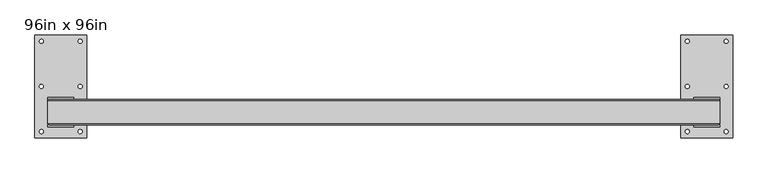
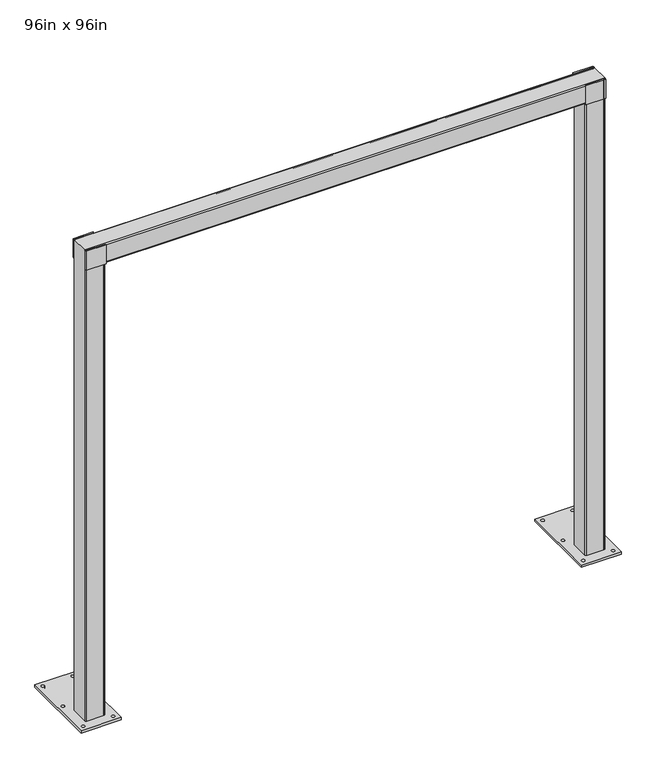
"""IFC4 building model written with IfcOpenShell, lengths in millimetres: proxy geometry, 96in x 96in."""

import ifcopenshell
import ifcopenshell.guid

model = None  # the IFC model being written
_history = None  # IfcOwnerHistory: only IFC2X3 demands one
_inside = {}  # id of a spatial element -> (the spatial element, [elements in it])
_under = {}  # id of a project, library or spatial element -> (it, [spatial elements below it])
_declared = {}  # id of a project -> (the project, [libraries it declares])
_typed = {}  # id of a type object -> (the type object, [elements of that type])
_made_of = {}  # id of a material, layer set ... -> (it, [elements and type objects made of it])


def new_model(schema):
    """Start an empty IFC model of exactly this schema.

    Asked for "IFC4X3", IfcOpenShell would pick the latest addendum, in which some entities
    have other attributes; the version numbers below select the first issue.
    IFC2X3 requires an IfcOwnerHistory on every rooted entity: one is made here for all.
    """
    global model, _history
    if schema == "IFC4X3":
        model = ifcopenshell.file(schema_version=(4, 3, 0, 0))
    else:
        model = ifcopenshell.file(schema=schema)
    _inside.clear()
    _under.clear()
    _declared.clear()
    _typed.clear()
    _made_of.clear()
    _history = None
    if model.schema == "IFC2X3":
        org = make("IfcOrganization", Name="unknown")
        user = make(
            "IfcPersonAndOrganization",
            ThePerson=make("IfcPerson", FamilyName="unknown"),
            TheOrganization=org,
        )
        app = make(
            "IfcApplication",
            ApplicationDeveloper=org,
            Version="unknown",
            ApplicationFullName="unknown",
            ApplicationIdentifier="unknown",
        )
        _history = make(
            "IfcOwnerHistory",
            OwningUser=user,
            OwningApplication=app,
            ChangeAction="ADDED",
            CreationDate=0,
        )
    return model


def make(cls, **values):
    """One entity of the class cls with the attributes given. An attribute that is None is left unset."""
    return model.create_entity(
        cls, **{name: value for name, value in values.items() if value is not None}
    )


def rooted(cls, **values):
    """An entity with a GlobalId (a new one), such as an element, a storey or a relation."""
    return make(cls, GlobalId=ifcopenshell.guid.new(), OwnerHistory=_history, **values)


def si_unit(unit_type, name, prefix=None):
    """IfcSIUnit, for example si_unit("LENGTHUNIT", "METRE", prefix="MILLI")."""
    return make("IfcSIUnit", UnitType=unit_type, Prefix=prefix, Name=name)


def assignment(units):
    """IfcUnitAssignment: the units of a project."""
    return None if units is None else make("IfcUnitAssignment", Units=units)


def point(xyz):
    """IfcCartesianPoint."""
    return None if xyz is None else make("IfcCartesianPoint", Coordinates=xyz)


def direction(xyz):
    """IfcDirection."""
    return None if xyz is None else make("IfcDirection", DirectionRatios=xyz)


def frame(location, z_axis=None, x_axis=None):
    """IfcAxis2Placement3D, a coordinate frame: its origin and axes. An axis left out is left unset."""
    return make(
        "IfcAxis2Placement3D",
        Location=point(location),
        Axis=direction(z_axis),
        RefDirection=direction(x_axis),
    )


def frame_2d(location, x_axis=None):
    """IfcAxis2Placement2D, a coordinate frame in the plane: its origin and x axis."""
    return make(
        "IfcAxis2Placement2D", Location=point(location), RefDirection=direction(x_axis)
    )


def origin():
    """The frame at (0, 0, 0) with its axes left unset."""
    return frame((0.0, 0.0, 0.0))


def origin_with_axes():
    """The frame at (0, 0, 0) with the z axis (0, 0, 1) and the x axis (1, 0, 0) written out."""
    return frame((0.0, 0.0, 0.0), z_axis=(0.0, 0.0, 1.0), x_axis=(1.0, 0.0, 0.0))


def place(relative_to, where):
    """IfcLocalPlacement: puts the frame where relative to a parent placement (None: the world)."""
    return make(
        "IfcLocalPlacement", PlacementRelTo=relative_to, RelativePlacement=where
    )


def context(
    kind, dimensions, precision=None, world=None, true_north=None, identifier=None
):
    """IfcGeometricRepresentationContext, for example the 3D "Model" context."""
    return make(
        "IfcGeometricRepresentationContext",
        ContextIdentifier=identifier,
        ContextType=kind,
        CoordinateSpaceDimension=dimensions,
        Precision=precision,
        WorldCoordinateSystem=world,
        TrueNorth=true_north,
    )


def project(units=None, contexts=None):
    """IfcProject with its units and contexts."""
    return rooted(
        "IfcProject",
        Name="project",
        RepresentationContexts=contexts,
        UnitsInContext=assignment(units),
    )


def spatial(cls, under=None, at=None, **own):
    """A site, building, storey or space (cls), placed at a placement, below another one or the project."""
    s = rooted(cls, ObjectPlacement=at, **own)
    if under is not None:
        _under.setdefault(under.id(), (under, []))[1].append(s)
    return s


def polyline(points):
    """IfcPolyline through the points."""
    return make("IfcPolyline", Points=[point(p) for p in points])


def circle_curve(where, radius):
    """IfcCircle in the frame where."""
    return make("IfcCircle", Position=where, Radius=radius)


def ellipse_curve(where, semi_axis1, semi_axis2):
    """IfcEllipse in the frame where."""
    return make(
        "IfcEllipse", Position=where, SemiAxis1=semi_axis1, SemiAxis2=semi_axis2
    )


def trimmed(basis, trim1, trim2, sense, master):
    """IfcTrimmedCurve: the piece of a basis curve between two trims."""
    return make(
        "IfcTrimmedCurve",
        BasisCurve=basis,
        Trim1=trim1,
        Trim2=trim2,
        SenseAgreement=sense,
        MasterRepresentation=master,
    )


def segment(curve, same_sense, transition):
    """IfcCompositeCurveSegment."""
    return make(
        "IfcCompositeCurveSegment",
        Transition=transition,
        SameSense=same_sense,
        ParentCurve=curve,
    )


def composite_curve(segments, self_intersect=None):
    """IfcCompositeCurve: segments joined end to end."""
    return make("IfcCompositeCurve", Segments=segments, SelfIntersect=self_intersect)


def outline(outer, holes=None, kind="AREA"):
    """IfcArbitraryClosedProfileDef: a profile drawn as a closed curve; with holes, ...WithVoids."""
    if holes is None:
        return make("IfcArbitraryClosedProfileDef", ProfileType=kind, OuterCurve=outer)
    return make(
        "IfcArbitraryProfileDefWithVoids",
        ProfileType=kind,
        OuterCurve=outer,
        InnerCurves=holes,
    )


def extrude(swept, where, along, depth):
    """IfcExtrudedAreaSolid: the profile swept, set in the frame where, extruded along a direction by depth."""
    return make(
        "IfcExtrudedAreaSolid",
        SweptArea=swept,
        Position=where,
        ExtrudedDirection=direction(along),
        Depth=depth,
    )


def shape(context_of_items, identifier, shape_type, items):
    """IfcShapeRepresentation: the items that make up one representation, for example the "Body"."""
    return make(
        "IfcShapeRepresentation",
        ContextOfItems=context_of_items,
        RepresentationIdentifier=identifier,
        RepresentationType=shape_type,
        Items=items,
    )


def source(mapping_origin, context_of_items, identifier, shape_type, items):
    """IfcRepresentationMap: a shape defined once, which mapped items show again and again."""
    return make(
        "IfcRepresentationMap",
        MappingOrigin=mapping_origin,
        MappedRepresentation=shape(context_of_items, identifier, shape_type, items),
    )


def transform(
    local_origin,
    x_axis=None,
    y_axis=None,
    z_axis=None,
    scale=None,
    scale2=None,
    scale3=None,
    uniform=True,
):
    """IfcCartesianTransformationOperator3D, or its non-uniform kind. x_axis, y_axis, z_axis: its Axis1, 2, 3."""
    if uniform:
        return make(
            "IfcCartesianTransformationOperator3D",
            Axis1=direction(x_axis),
            Axis2=direction(y_axis),
            LocalOrigin=point(local_origin),
            Scale=scale,
            Axis3=direction(z_axis),
        )
    return make(
        "IfcCartesianTransformationOperator3DnonUniform",
        Axis1=direction(x_axis),
        Axis2=direction(y_axis),
        LocalOrigin=point(local_origin),
        Scale=scale,
        Axis3=direction(z_axis),
        Scale2=scale2,
        Scale3=scale3,
    )


def mapped(mapping_source, mapping_target):
    """IfcMappedItem: shows the shape of a source again, moved by a transform."""
    return make(
        "IfcMappedItem", MappingSource=mapping_source, MappingTarget=mapping_target
    )


def made_of(thing, what):
    """Note that an element or type object is made of a material, layer set ...; save() writes the relation."""
    if what is not None:
        _made_of.setdefault(what.id(), (what, []))[1].append(thing)
    return thing


def element(
    cls,
    number,
    at=None,
    inside=None,
    cuts=None,
    type_object=None,
    material=None,
    context=None,
    identifier="Body",
    shape_type=None,
    held_by="IfcProductDefinitionShape",
    body=None,
    shapes=None,
    **own,
):
    """One element of the class cls, such as IfcWall. Its Tag is "e" and its number.

    at: its placement. inside: the storey or other place that contains it. cuts: it is an
    opening in that element (IfcRelVoidsElement). A single representation is given by context,
    identifier, shape_type and body (its items); several are given by shapes. held_by: the class
    of the entity that holds the representations. save() writes the other relations.
    """
    e = rooted(cls, Tag="e%d" % number, ObjectPlacement=at, **own)
    if body is not None:
        shapes = [shape(context, identifier, shape_type, body)]
    if shapes is not None:
        e.Representation = make(held_by, Representations=shapes)
    if inside is not None:
        _inside.setdefault(inside.id(), (inside, []))[1].append(e)
    if cuts is not None:
        rooted(
            "IfcRelVoidsElement", RelatingBuildingElement=cuts, RelatedOpeningElement=e
        )
    if type_object is not None:
        _typed.setdefault(type_object.id(), (type_object, []))[1].append(e)
    return made_of(e, material)


def aggregate(whole, parts):
    """IfcRelAggregates: a whole, such as a stair, and the parts it consists of."""
    return rooted("IfcRelAggregates", RelatingObject=whole, RelatedObjects=parts)


def save(model, path):
    """Write the relations noted so far, then the file.

    IfcRelAggregates (storeys below a building ...), IfcRelContainedInSpatialStructure (elements
    in a storey), IfcRelDefinesByType, IfcRelAssociatesMaterial and IfcRelDeclares: one each for
    every whole, place, type object, material and project.
    """
    for whole, parts in _under.values():
        aggregate(whole, parts)
    for where, things in _inside.values():
        rooted(
            "IfcRelContainedInSpatialStructure",
            RelatedElements=things,
            RelatingStructure=where,
        )
    for kind, things in _typed.values():
        rooted("IfcRelDefinesByType", RelatedObjects=things, RelatingType=kind)
    for what, things in _made_of.values():
        rooted("IfcRelAssociatesMaterial", RelatedObjects=things, RelatingMaterial=what)
    for by, libraries in _declared.values():
        rooted("IfcRelDeclares", RelatingContext=by, RelatedDefinitions=libraries)
    model.write(path)


def plane_surface(at):
    """IfcPlane: the flat surface through the origin of the frame at, square to its z axis."""
    return make("IfcPlane", Position=at)


def cylinder_surface(at, radius):
    """IfcCylindricalSurface: all points at the distance radius from the z axis of the frame at."""
    return make("IfcCylindricalSurface", Position=at, Radius=radius)


def revolved_surface(curve, axis_point, axis_direction):
    """IfcSurfaceOfRevolution: the curve turned about the line through axis_point along axis_direction."""
    return make(
        "IfcSurfaceOfRevolution",
        SweptCurve=make("IfcArbitraryOpenProfileDef", ProfileType="CURVE", Curve=curve),
        AxisPosition=make("IfcAxis1Placement", Location=point(axis_point), Axis=direction(axis_direction)),
    )


def advanced_brep(points, edges, surfaces, faces):
    """IfcAdvancedBrep: a solid bounded by faces that lie on surfaces and meet in shared edges.

    An edge is (start, end): straight between two places in points (the first is 0);
    or (start, end, curve); or (start, end, curve, False) where it runs against its curve.
    A face is (place in surfaces, loops), or (place, loops, False) where it looks against
    its surface's normal. A loop lists edges by number (the first is 1), with a minus sign
    where the edge is run from its end to its start. The first loop is the outer one.
    """
    corners = [point(p) for p in points]
    vertices = [make("IfcVertexPoint", VertexGeometry=c) for c in corners]
    made = []
    for start, end, *more in edges:
        made.append(
            make(
                "IfcEdgeCurve",
                EdgeStart=vertices[start],
                EdgeEnd=vertices[end],
                EdgeGeometry=more[0] if more else make("IfcPolyline", Points=[corners[start], corners[end]]),
                SameSense=more[1] if len(more) > 1 else True,
            )
        )
    hull = []
    for where, loops, *sense in faces:
        bounds = []
        for j, loop in enumerate(loops):
            ring = [make("IfcOrientedEdge", EdgeElement=made[abs(k) - 1], Orientation=k > 0) for k in loop]
            bounds.append(
                make(
                    "IfcFaceOuterBound" if j == 0 else "IfcFaceBound",
                    Bound=make("IfcEdgeLoop", EdgeList=ring),
                    Orientation=True,
                )
            )
        hull.append(make("IfcAdvancedFace", Bounds=bounds, FaceSurface=surfaces[where], SameSense=sense[0] if sense else True))
    return make("IfcAdvancedBrep", Outer=make("IfcClosedShell", CfsFaces=hull))


def proxy_96in_x_96in_fcc296bb(model_context):
    return source(origin(), model_context, "Body", "SolidModel", [
        advanced_brep(
        [(1219.2, -44.1422052, 12.7), (1219.2, 44.1422052, 12.7), (1225.8577948, 50.8, 12.7), (1315.1555556, 50.8, 12.7), (1320.8, 45.1555556, 12.7), (1320.8, -44.1422052, 12.7), (1314.1422052, -50.8, 12.7), (1225.8577948, -50.8, 12.7), (1225.8577948, 45.8066539, 12.7), (1224.1933461, 44.1422052, 12.7), (1224.1933461, -44.1422052, 12.7), (1225.8577948, -45.8066539, 12.7), (1314.1422052, -45.8066539, 12.7), (1315.8066539, -44.1422052, 12.7), (1315.8066539, 44.1422052, 12.7), (1314.1422052, 45.8066539, 12.7), (1219.2, -44.1422052, 2438.4), (1219.2, 44.1422052, 2438.4), (1225.8577948, 50.8, 2445.0577948), (1225.8577948, 50.8, 2438.4), (1315.1555556, 50.8, 2438.4), (-1225.8577948, 50.8, 12.7), (-1315.1555556, 50.8, 12.7), (-1315.1555556, 50.8, 2438.4), (-1225.8577948, 50.8, 2438.4), (1219.2, 50.8, 2445.0577948), (-1219.2, 50.8, 2445.0577948), (-1219.2, 50.8, 2534.3555556), (1219.2, 50.8, 2534.3555556), (1315.1555556, 50.8, 2534.3555556), (1320.8, 45.1555556, 2540.0), (1320.8, -44.1422052, 2540.0), (1314.1422052, -50.8, 2533.3422052), (1314.1422052, -50.8, 2438.4), (1225.8577948, -50.8, 2438.4), (-1314.1422052, -50.8, 12.7), (-1225.8577948, -50.8, 12.7), (-1225.8577948, -50.8, 2438.4), (-1314.1422052, -50.8, 2438.4), (1219.2, -50.8, 2533.3422052), (-1219.2, -50.8, 2533.3422052), (-1219.2, -50.8, 2445.0577948), (1219.2, -50.8, 2445.0577948), (1225.8577948, -50.8, 2445.0577948), (-1219.2, -44.1422052, 2438.4), (-1219.2, 44.1422052, 2438.4), (-1225.8577948, 50.8, 2445.0577948), (-1315.1555556, 50.8, 2534.3555556), (-1320.8, 45.1555556, 2540.0), (-1320.8, -44.1422052, 2540.0), (-1314.1422052, -50.8, 2533.3422052), (-1225.8577948, -50.8, 2445.0577948), (-1219.2, 44.1422052, 12.7), (-1219.2, -44.1422052, 12.7), (-1320.8, -44.1422052, 12.7), (-1320.8, 45.1555556, 12.7), (-1225.8577948, 45.8066539, 12.7), (-1314.1422052, 45.8066539, 12.7), (-1315.8066539, 44.1422052, 12.7), (-1315.8066539, -44.1422052, 12.7), (-1314.1422052, -45.8066539, 12.7), (-1225.8577948, -45.8066539, 12.7), (-1224.1933461, -44.1422052, 12.7), (-1224.1933461, 44.1422052, 12.7), (1225.8577948, 45.8066539, 2445.0577948), (1224.1933461, 44.1422052, 2443.3933461), (1224.1933461, -44.1422052, 2443.3933461), (1225.8577948, -45.8066539, 2445.0577948), (-1225.8577948, -45.8066539, 2445.0577948), (-1314.1422052, -45.8066539, 2533.3422052), (1314.1422052, -45.8066539, 2533.3422052), (1315.8066539, -44.1422052, 2535.0066539), (1315.8066539, 44.1422052, 2535.0066539), (1314.1422052, 45.8066539, 2533.3422052), (-1314.1422052, 45.8066539, 2533.3422052), (-1225.8577948, 45.8066539, 2445.0577948), (-1224.1933461, 44.1422052, 2443.3933461), (-1224.1933461, -44.1422052, 2443.3933461), (-1315.8066539, -44.1422052, 2535.0066539), (-1315.8066539, 44.1422052, 2535.0066539), (-1219.2, 57.15, 2540.0), (-1320.8, 57.15, 2540.0), (-1320.8, 50.8, 2540.0), (-1219.2, 50.8, 2540.0), (-1219.2, -50.8, 2540.0), (-1320.8, -50.8, 2540.0), (-1320.8, -57.15, 2540.0), (-1219.2, -57.15, 2540.0), (1219.2, 57.15, 2540.0), (1219.2, 50.8, 2540.0), (1320.8, 50.8, 2540.0), (1320.8, 57.15, 2540.0), (1219.2, -50.8, 2540.0), (1219.2, -57.15, 2540.0), (1320.8, -57.15, 2540.0), (1320.8, -50.8, 2540.0), (-1219.2, 57.15, 2438.4), (-1219.2, 50.8, 2438.4), (-1320.8, 50.8, 2438.4), (-1320.8, 57.15, 2438.4), (-1219.2, -50.8, 2438.4), (-1219.2, -57.15, 2438.4), (-1320.8, -57.15, 2438.4), (-1320.8, -50.8, 2438.4), (1219.2, 57.15, 2438.4), (1320.8, 57.15, 2438.4), (1320.8, 50.8, 2438.4), (1219.2, 50.8, 2438.4), (1320.8, -50.8, 2438.4), (1320.8, -57.15, 2438.4), (1219.2, -57.15, 2438.4), (1219.2, -50.8, 2438.4)],
        [
            (0, 1),
            (1, 2, circle_curve(frame((1225.8577948, 44.1422052, 12.7), z_axis=(0.0, 0.0, -1.0), x_axis=(0.0, -1.0, 0.0)), 6.6577948)),
            (2, 3),
            (3, 4, circle_curve(frame((1315.1555556, 45.1555556, 12.7), z_axis=(0.0, 0.0, -1.0), x_axis=(0.0, -1.0, 0.0)), 5.6444444)),
            (4, 5),
            (5, 6, circle_curve(frame((1314.1422052, -44.1422052, 12.7), z_axis=(0.0, 0.0, -1.0), x_axis=(0.0, -1.0, 0.0)), 6.6577948)),
            (6, 7),
            (7, 0, circle_curve(frame((1225.8577948, -44.1422052, 12.7), z_axis=(0.0, 0.0, -1.0), x_axis=(0.0, -1.0, 0.0)), 6.6577948)),
            (8, 9, circle_curve(frame((1225.8577948, 44.1422052, 12.7), z_axis=(0.0, 0.0, 1.0), x_axis=(0.0, -1.0, 0.0)), 1.6644487)),
            (9, 10),
            (10, 11, circle_curve(frame((1225.8577948, -44.1422052, 12.7), z_axis=(0.0, 0.0, 1.0), x_axis=(0.0, -1.0, 0.0)), 1.6644487)),
            (11, 12),
            (12, 13, circle_curve(frame((1314.1422052, -44.1422052, 12.7), z_axis=(0.0, 0.0, 1.0), x_axis=(0.0, -1.0, 0.0)), 1.6644487)),
            (13, 14),
            (14, 15, circle_curve(frame((1314.1422052, 44.1422052, 12.7), z_axis=(0.0, 0.0, 1.0), x_axis=(0.0, -1.0, 0.0)), 1.6644487)),
            (15, 8),
            (0, 16),
            (16, 17),
            (17, 1),
            (17, 18, ellipse_curve(frame((1225.8577948, 44.1422052, 2445.0577948), z_axis=(0.7071067811865475, 0.0, -0.7071067811865475), x_axis=(-0.7071067811865474, 0.0, -0.7071067811865476)), 9.4155437, 6.6577948)),
            (18, 19),
            (19, 2),
            (19, 20),
            (20, 3),
            (21, 22),
            (22, 23),
            (23, 24),
            (24, 21),
            (25, 26),
            (26, 27),
            (27, 28),
            (28, 25),
            (20, 29),
            (29, 30, ellipse_curve(frame((1315.1555556, 45.1555556, 2534.3555556), z_axis=(0.7071067811865475, 0.0, -0.7071067811865475), x_axis=(-0.7071067811865474, 0.0, -0.7071067811865476)), 7.9824499, 5.6444444)),
            (30, 4),
            (30, 31),
            (31, 5),
            (31, 32, ellipse_curve(frame((1314.1422052, -44.1422052, 2533.3422052), z_axis=(0.7071067811865475, 0.0, -0.7071067811865475), x_axis=(-0.7071067811865474, 0.0, -0.7071067811865476)), 9.4155437, 6.6577948)),
            (32, 33),
            (33, 6),
            (33, 34),
            (34, 7),
            (35, 36),
            (36, 37),
            (37, 38),
            (38, 35),
            (39, 40),
            (40, 41),
            (41, 42),
            (42, 39),
            (34, 43),
            (43, 16, ellipse_curve(frame((1225.8577948, -44.1422052, 2445.0577948), z_axis=(0.7071067811865475, 0.0, -0.7071067811865475), x_axis=(-0.7071067811865474, 0.0, -0.7071067811865476)), 9.4155437, 6.6577948)),
            (16, 44),
            (44, 45),
            (45, 17),
            (45, 46, ellipse_curve(frame((-1225.8577948, 44.1422052, 2445.0577948), z_axis=(0.7071067811865475, 0.0, 0.7071067811865475), x_axis=(0.7071067811865476, 0.0, -0.7071067811865474)), 9.4155437, 6.6577948)),
            (46, 26),
            (25, 18),
            (29, 28),
            (27, 47),
            (47, 48, ellipse_curve(frame((-1315.1555556, 45.1555556, 2534.3555556), z_axis=(0.7071067811865475, 0.0, 0.7071067811865475), x_axis=(0.7071067811865476, 0.0, -0.7071067811865474)), 7.9824499, 5.6444444)),
            (48, 30),
            (48, 49),
            (49, 31),
            (49, 50, ellipse_curve(frame((-1314.1422052, -44.1422052, 2533.3422052), z_axis=(0.7071067811865475, 0.0, 0.7071067811865475), x_axis=(0.7071067811865476, 0.0, -0.7071067811865474)), 9.4155437, 6.6577948)),
            (50, 40),
            (39, 32),
            (43, 42),
            (41, 51),
            (51, 44, ellipse_curve(frame((-1225.8577948, -44.1422052, 2445.0577948), z_axis=(0.7071067811865475, 0.0, 0.7071067811865475), x_axis=(0.7071067811865476, 0.0, -0.7071067811865474)), 9.4155437, 6.6577948)),
            (21, 52, circle_curve(frame((-1225.8577948, 44.1422052, 12.7), z_axis=(0.0, 0.0, -1.0), x_axis=(0.0, -1.0, 0.0)), 6.6577948)),
            (52, 53),
            (53, 36, circle_curve(frame((-1225.8577948, -44.1422052, 12.7), z_axis=(0.0, 0.0, -1.0), x_axis=(0.0, -1.0, 0.0)), 6.6577948)),
            (35, 54, circle_curve(frame((-1314.1422052, -44.1422052, 12.7), z_axis=(0.0, 0.0, -1.0), x_axis=(0.0, -1.0, 0.0)), 6.6577948)),
            (54, 55),
            (55, 22, circle_curve(frame((-1315.1555556, 45.1555556, 12.7), z_axis=(0.0, 0.0, -1.0), x_axis=(0.0, -1.0, 0.0)), 5.6444444)),
            (56, 57),
            (57, 58, circle_curve(frame((-1314.1422052, 44.1422052, 12.7), z_axis=(0.0, 0.0, 1.0), x_axis=(0.0, -1.0, 0.0)), 1.6644487)),
            (58, 59),
            (59, 60, circle_curve(frame((-1314.1422052, -44.1422052, 12.7), z_axis=(0.0, 0.0, 1.0), x_axis=(0.0, -1.0, 0.0)), 1.6644487)),
            (60, 61),
            (61, 62, circle_curve(frame((-1225.8577948, -44.1422052, 12.7), z_axis=(0.0, 0.0, 1.0), x_axis=(0.0, -1.0, 0.0)), 1.6644487)),
            (62, 63),
            (63, 56, circle_curve(frame((-1225.8577948, 44.1422052, 12.7), z_axis=(0.0, 0.0, 1.0), x_axis=(0.0, -1.0, 0.0)), 1.6644487)),
            (44, 53),
            (52, 45),
            (24, 46),
            (47, 23),
            (55, 48),
            (54, 49),
            (38, 50),
            (51, 37),
            (8, 64),
            (64, 65, ellipse_curve(frame((1225.8577948, 44.1422052, 2445.0577948), z_axis=(-0.7071067811865475, 0.0, 0.7071067811865475), x_axis=(0.7071067811865474, 0.0, 0.7071067811865476)), 2.3538859, 1.6644487)),
            (65, 9),
            (65, 66),
            (66, 10),
            (66, 67, ellipse_curve(frame((1225.8577948, -44.1422052, 2445.0577948), z_axis=(-0.7071067811865475, 0.0, 0.7071067811865475), x_axis=(0.7071067811865474, 0.0, 0.7071067811865476)), 2.3538859, 1.6644487)),
            (67, 11),
            (67, 68),
            (68, 61),
            (60, 69),
            (69, 70),
            (70, 12),
            (70, 71, ellipse_curve(frame((1314.1422052, -44.1422052, 2533.3422052), z_axis=(-0.7071067811865475, 0.0, 0.7071067811865475), x_axis=(0.7071067811865474, 0.0, 0.7071067811865476)), 2.3538859, 1.6644487)),
            (71, 13),
            (71, 72),
            (72, 14),
            (72, 73, ellipse_curve(frame((1314.1422052, 44.1422052, 2533.3422052), z_axis=(-0.7071067811865475, 0.0, 0.7071067811865475), x_axis=(0.7071067811865474, 0.0, 0.7071067811865476)), 2.3538859, 1.6644487)),
            (73, 15),
            (73, 74),
            (74, 57),
            (56, 75),
            (75, 64),
            (75, 76, ellipse_curve(frame((-1225.8577948, 44.1422052, 2445.0577948), z_axis=(-0.7071067811865475, 0.0, -0.7071067811865475), x_axis=(-0.7071067811865476, 0.0, 0.7071067811865474)), 2.3538859, 1.6644487)),
            (76, 65),
            (76, 77),
            (77, 66),
            (77, 68, ellipse_curve(frame((-1225.8577948, -44.1422052, 2445.0577948), z_axis=(-0.7071067811865475, 0.0, -0.7071067811865475), x_axis=(-0.7071067811865476, 0.0, 0.7071067811865474)), 2.3538859, 1.6644487)),
            (69, 78, ellipse_curve(frame((-1314.1422052, -44.1422052, 2533.3422052), z_axis=(-0.7071067811865475, 0.0, -0.7071067811865475), x_axis=(-0.7071067811865476, 0.0, 0.7071067811865474)), 2.3538859, 1.6644487)),
            (78, 71),
            (78, 79),
            (79, 72),
            (79, 74, ellipse_curve(frame((-1314.1422052, 44.1422052, 2533.3422052), z_axis=(-0.7071067811865475, 0.0, -0.7071067811865475), x_axis=(-0.7071067811865476, 0.0, 0.7071067811865474)), 2.3538859, 1.6644487)),
            (63, 76),
            (62, 77),
            (59, 78),
            (58, 79),
            (80, 81),
            (81, 82),
            (82, 83),
            (83, 80),
            (84, 85),
            (85, 86),
            (86, 87),
            (87, 84),
            (88, 89),
            (89, 90),
            (90, 91),
            (91, 88),
            (92, 93),
            (93, 94),
            (94, 95),
            (95, 92),
            (96, 97),
            (97, 24),
            (23, 98),
            (98, 99),
            (99, 96),
            (100, 101),
            (101, 102),
            (102, 103),
            (103, 38),
            (37, 100),
            (104, 105),
            (105, 106),
            (106, 20),
            (19, 107),
            (107, 104),
            (108, 109),
            (109, 110),
            (110, 111),
            (111, 34),
            (33, 108),
            (80, 96),
            (99, 81),
            (98, 82),
            (27, 83),
            (97, 26),
            (84, 40),
            (103, 85),
            (41, 100),
            (102, 86),
            (101, 87),
            (88, 104),
            (107, 25),
            (28, 89),
            (106, 90),
            (105, 91),
            (92, 39),
            (42, 111),
            (110, 93),
            (109, 94),
            (108, 95),
        ],
        [
            plane_surface(frame((1270.0, 0.0, 12.7), z_axis=(0.0, 0.0, -1.0), x_axis=(0.0, -1.0, 0.0))),
            plane_surface(frame((1219.2, -44.1422052, 12.7), z_axis=(-1.0, 0.0, 0.0), x_axis=(0.0, 0.0, 1.0))),
            cylinder_surface(frame((1225.8577948, 44.1422052, 12.7), z_axis=(0.0, 0.0, -1.0), x_axis=(0.0, -1.0, 0.0)), 6.6577948),
            plane_surface(frame((1225.8577948, 50.8, 12.7), z_axis=(0.0, 1.0, 0.0), x_axis=(0.0, 0.0, 1.0))),
            cylinder_surface(frame((1315.1555556, 45.1555556, 12.7), z_axis=(0.0, 0.0, -1.0), x_axis=(0.0, -1.0, 0.0)), 5.6444444),
            plane_surface(frame((1320.8, 45.1555556, 12.7), z_axis=(1.0, 0.0, 0.0), x_axis=(0.0, 0.0, 1.0))),
            cylinder_surface(frame((1314.1422052, -44.1422052, 12.7), z_axis=(0.0, 0.0, -1.0), x_axis=(0.0, -1.0, 0.0)), 6.6577948),
            plane_surface(frame((1314.1422052, -50.8, 12.7), z_axis=(0.0, -1.0, 0.0), x_axis=(0.0, 0.0, 1.0))),
            cylinder_surface(frame((1225.8577948, -44.1422052, 12.7), z_axis=(0.0, 0.0, -1.0), x_axis=(0.0, -1.0, 0.0)), 6.6577948),
            plane_surface(frame((1219.2, -44.1422052, 2438.4), z_axis=(0.0, 0.0, -1.0), x_axis=(-1.0, 0.0, 0.0))),
            cylinder_surface(frame((1270.0, 44.1422052, 2445.0577948), z_axis=(1.0, 0.0, 0.0), x_axis=(0.0, -1.0, 0.0)), 6.6577948),
            cylinder_surface(frame((1270.0, 45.1555556, 2534.3555556), z_axis=(1.0, 0.0, 0.0), x_axis=(0.0, -1.0, 0.0)), 5.6444444),
            plane_surface(frame((1320.8, 45.1555556, 2540.0), z_axis=(0.0, 0.0, 1.0), x_axis=(-1.0, 0.0, 0.0))),
            cylinder_surface(frame((1270.0, -44.1422052, 2533.3422052), z_axis=(1.0, 0.0, 0.0), x_axis=(0.0, -1.0, 0.0)), 6.6577948),
            cylinder_surface(frame((1270.0, -44.1422052, 2445.0577948), z_axis=(1.0, 0.0, 0.0), x_axis=(0.0, -1.0, 0.0)), 6.6577948),
            plane_surface(frame((-1270.0, 0.0, 12.7), z_axis=(0.0, 0.0, -1.0), x_axis=(0.0, -1.0, 0.0))),
            plane_surface(frame((-1219.2, -44.1422052, 2438.4), z_axis=(1.0, 0.0, 0.0), x_axis=(0.0, 0.0, -1.0))),
            cylinder_surface(frame((-1225.8577948, 44.1422052, 2489.2), z_axis=(0.0, 0.0, 1.0), x_axis=(0.0, -1.0, 0.0)), 6.6577948),
            cylinder_surface(frame((-1315.1555556, 45.1555556, 2489.2), z_axis=(0.0, 0.0, 1.0), x_axis=(0.0, -1.0, 0.0)), 5.6444444),
            plane_surface(frame((-1320.8, 45.1555556, 2540.0), z_axis=(-1.0, 0.0, 0.0), x_axis=(0.0, 0.0, -1.0))),
            cylinder_surface(frame((-1314.1422052, -44.1422052, 2489.2), z_axis=(0.0, 0.0, 1.0), x_axis=(0.0, -1.0, 0.0)), 6.6577948),
            cylinder_surface(frame((-1225.8577948, -44.1422052, 2489.2), z_axis=(0.0, 0.0, 1.0), x_axis=(0.0, -1.0, 0.0)), 6.6577948),
            revolved_surface(polyline([(1225.8577948, 42.4777565, 2446.7222434820296), (1225.8577948, 42.4777565, 12.7)]), (1225.8577948, 44.1422052, 12.7), (0.0, 0.0, 1.0)),
            plane_surface(frame((1224.1933461, 44.1422052, 12.7), z_axis=(1.0, 0.0, 0.0), x_axis=(0.0, 0.0, 1.0))),
            revolved_surface(polyline([(1225.8577948, -45.8066539, 2446.7222434820296), (1225.8577948, -45.8066539, 12.7)]), (1225.8577948, -44.1422052, 12.7), (0.0, 0.0, 1.0)),
            plane_surface(frame((1225.8577948, -45.8066539, 12.7), z_axis=(0.0, 1.0, 0.0), x_axis=(0.0, 0.0, 1.0))),
            revolved_surface(polyline([(1314.1422052, -45.8066539, 2535.0066539), (1314.1422052, -45.8066539, 12.7)]), (1314.1422052, -44.1422052, 12.7), (0.0, 0.0, 1.0)),
            plane_surface(frame((1315.8066539, -44.1422052, 12.7), z_axis=(-1.0, 0.0, 0.0), x_axis=(0.0, 0.0, 1.0))),
            revolved_surface(polyline([(1314.1422052, 42.4777565, 2535.0066539), (1314.1422052, 42.4777565, 12.7)]), (1314.1422052, 44.1422052, 12.7), (0.0, 0.0, 1.0)),
            plane_surface(frame((1314.1422052, 45.8066539, 12.7), z_axis=(0.0, -1.0, 0.0), x_axis=(0.0, 0.0, 1.0))),
            revolved_surface(polyline([(-1227.5222434820298, 42.4777565, 2445.0577948), (1227.5222434820294, 42.4777565, 2445.0577948)]), (1270.0, 44.1422052, 2445.0577948), (-1.0, 0.0, 0.0)),
            plane_surface(frame((1224.1933461, 44.1422052, 2443.3933461), z_axis=(0.0, 0.0, 1.0), x_axis=(-1.0, 0.0, 0.0))),
            revolved_surface(polyline([(-1227.5222434820298, -45.8066539, 2445.0577948), (1227.5222434820294, -45.8066539, 2445.0577948)]), (1270.0, -44.1422052, 2445.0577948), (-1.0, 0.0, 0.0)),
            revolved_surface(polyline([(-1315.8066539000001, -45.8066539, 2533.3422052), (1315.8066539, -45.8066539, 2533.3422052)]), (1270.0, -44.1422052, 2533.3422052), (-1.0, 0.0, 0.0)),
            plane_surface(frame((1315.8066539, -44.1422052, 2535.0066539), z_axis=(0.0, 0.0, -1.0), x_axis=(-1.0, 0.0, 0.0))),
            revolved_surface(polyline([(-1315.8066539000001, 42.4777565, 2533.3422052), (1315.8066539, 42.4777565, 2533.3422052)]), (1270.0, 44.1422052, 2533.3422052), (-1.0, 0.0, 0.0)),
            revolved_surface(polyline([(-1225.8577948, 42.4777565, 12.699999999999818), (-1225.8577948, 42.4777565, 2446.7222434820296)]), (-1225.8577948, 44.1422052, 2489.2), (0.0, 0.0, -1.0)),
            plane_surface(frame((-1224.1933461, 44.1422052, 2443.3933461), z_axis=(-1.0, 0.0, 0.0), x_axis=(0.0, 0.0, -1.0))),
            revolved_surface(polyline([(-1225.8577948, -45.8066539, 12.699999999999818), (-1225.8577948, -45.8066539, 2446.7222434820296)]), (-1225.8577948, -44.1422052, 2489.2), (0.0, 0.0, -1.0)),
            revolved_surface(polyline([(-1314.1422052, -45.8066539, 12.699999999999818), (-1314.1422052, -45.8066539, 2535.0066539)]), (-1314.1422052, -44.1422052, 2489.2), (0.0, 0.0, -1.0)),
            plane_surface(frame((-1315.8066539, -44.1422052, 2535.0066539), z_axis=(1.0, 0.0, 0.0), x_axis=(0.0, 0.0, -1.0))),
            revolved_surface(polyline([(-1314.1422052, 42.4777565, 12.699999999999818), (-1314.1422052, 42.4777565, 2535.0066539)]), (-1314.1422052, 44.1422052, 2489.2), (0.0, 0.0, -1.0)),
            plane_surface(frame((-1320.8, 57.15, 2540.0), z_axis=(0.0, 0.0, 1.0), x_axis=(-1.0, 0.0, 0.0))),
            plane_surface(frame((-1320.8, 57.15, 2438.4), z_axis=(0.0, 0.0, -1.0), x_axis=(1.0, 0.0, 0.0))),
            plane_surface(frame((-1219.2, 57.15, 2540.0), z_axis=(0.0, 1.0, 0.0), x_axis=(0.0, 0.0, -1.0))),
            plane_surface(frame((-1320.8, 57.15, 2540.0), z_axis=(-1.0, 0.0, 0.0), x_axis=(0.0, 0.0, -1.0))),
            plane_surface(frame((-1320.8, 50.8, 2540.0), z_axis=(0.0, -1.0, 0.0), x_axis=(0.0, 0.0, -1.0))),
            plane_surface(frame((-1219.2, 50.8, 2540.0), z_axis=(1.0, 0.0, 0.0), x_axis=(0.0, 0.0, -1.0))),
            plane_surface(frame((-1219.2, -50.8, 2540.0), z_axis=(0.0, 1.0, 0.0), x_axis=(0.0, 0.0, -1.0))),
            plane_surface(frame((-1320.8, -50.8, 2540.0), z_axis=(-1.0, 0.0, 0.0), x_axis=(0.0, 0.0, -1.0))),
            plane_surface(frame((-1320.8, -57.15, 2540.0), z_axis=(0.0, -1.0, 0.0), x_axis=(0.0, 0.0, -1.0))),
            plane_surface(frame((-1219.2, -57.15, 2540.0), z_axis=(1.0, 0.0, 0.0), x_axis=(0.0, 0.0, -1.0))),
            plane_surface(frame((1219.2, 57.15, 2540.0), z_axis=(-1.0, 0.0, 0.0), x_axis=(0.0, 0.0, -1.0))),
            plane_surface(frame((1219.2, 50.8, 2540.0), z_axis=(0.0, -1.0, 0.0), x_axis=(0.0, 0.0, -1.0))),
            plane_surface(frame((1320.8, 50.8, 2540.0), z_axis=(1.0, 0.0, 0.0), x_axis=(0.0, 0.0, -1.0))),
            plane_surface(frame((1320.8, 57.15, 2540.0), z_axis=(0.0, 1.0, 0.0), x_axis=(0.0, 0.0, -1.0))),
            plane_surface(frame((1219.2, -50.8, 2540.0), z_axis=(-1.0, 0.0, 0.0), x_axis=(0.0, 0.0, -1.0))),
            plane_surface(frame((1219.2, -57.15, 2540.0), z_axis=(0.0, -1.0, 0.0), x_axis=(0.0, 0.0, -1.0))),
            plane_surface(frame((1320.8, -57.15, 2540.0), z_axis=(1.0, 0.0, 0.0), x_axis=(0.0, 0.0, -1.0))),
            plane_surface(frame((1320.8, -50.8, 2540.0), z_axis=(0.0, 1.0, 0.0), x_axis=(0.0, 0.0, -1.0))),
        ],
        [
            (0, [[1, 2, 3, 4, 5, 6, 7, 8], [9, 10, 11, 12, 13, 14, 15, 16]]),
            (1, [[-1, 17, 18, 19]]),
            (2, [[-2, -19, 20, 21, 22]]),
            (3, [[-3, -22, 23, 24]]),
            (3, [[25, 26, 27, 28]]),
            (3, [[29, 30, 31, 32]]),
            (4, [[-4, -24, 33, 34, 35]]),
            (5, [[-5, -35, 36, 37]]),
            (6, [[-6, -37, 38, 39, 40]]),
            (7, [[-7, -40, 41, 42]]),
            (7, [[43, 44, 45, 46]]),
            (7, [[47, 48, 49, 50]]),
            (8, [[-8, -42, 51, 52, -17]]),
            (9, [[-18, 53, 54, 55]]),
            (10, [[-20, -55, 56, 57, -29, 58]]),
            (11, [[-34, 59, -31, 60, 61, 62]]),
            (12, [[-36, -62, 63, 64]]),
            (13, [[-38, -64, 65, 66, -47, 67]]),
            (14, [[-52, 68, -49, 69, 70, -53]]),
            (15, [[-25, 71, 72, 73, -43, 74, 75, 76], [77, 78, 79, 80, 81, 82, 83, 84]]),
            (16, [[-54, 85, -72, 86]]),
            (17, [[-56, -86, -71, -28, 87]]),
            (18, [[-61, 88, -26, -76, 89]]),
            (19, [[-63, -89, -75, 90]]),
            (20, [[-65, -90, -74, -46, 91]]),
            (21, [[-70, 92, -44, -73, -85]]),
            (22, [[-9, 93, 94, 95]]),
            (23, [[-10, -95, 96, 97]]),
            (24, [[-11, -97, 98, 99]]),
            (25, [[-12, -99, 100, 101, -81, 102, 103, 104]]),
            (26, [[-13, -104, 105, 106]]),
            (27, [[-14, -106, 107, 108]]),
            (28, [[-15, -108, 109, 110]]),
            (29, [[-16, -110, 111, 112, -77, 113, 114, -93]]),
            (30, [[-94, -114, 115, 116]]),
            (31, [[-96, -116, 117, 118]]),
            (32, [[-98, -118, 119, -100]]),
            (33, [[-103, 120, 121, -105]]),
            (34, [[-107, -121, 122, 123]]),
            (35, [[-109, -123, 124, -111]]),
            (36, [[-84, 125, -115, -113]]),
            (37, [[-83, 126, -117, -125]]),
            (38, [[-82, -101, -119, -126]]),
            (39, [[-80, 127, -120, -102]]),
            (40, [[-79, 128, -122, -127]]),
            (41, [[-78, -112, -124, -128]]),
            (42, [[129, 130, 131, 132]]),
            (42, [[133, 134, 135, 136]]),
            (42, [[137, 138, 139, 140]]),
            (42, [[141, 142, 143, 144]]),
            (43, [[145, 146, -27, 147, 148, 149]]),
            (43, [[150, 151, 152, 153, -45, 154]]),
            (43, [[155, 156, 157, -23, 158, 159]]),
            (43, [[160, 161, 162, 163, -41, 164]]),
            (44, [[-129, 165, -149, 166]]),
            (45, [[-130, -166, -148, 167]]),
            (46, [[-131, -167, -147, -88, -60, 168]]),
            (46, [[169, -57, -87, -146]]),
            (47, [[-132, -168, -30, -169, -145, -165]]),
            (48, [[-133, 170, -66, -91, -153, 171]]),
            (48, [[172, -154, -92, -69]]),
            (49, [[-134, -171, -152, 173]]),
            (50, [[-135, -173, -151, 174]]),
            (51, [[-136, -174, -150, -172, -48, -170]]),
            (52, [[-137, 175, -159, 176, -32, 177]]),
            (53, [[-138, -177, -59, -33, -157, 178]]),
            (53, [[-158, -21, -58, -176]]),
            (54, [[-139, -178, -156, 179]]),
            (55, [[-140, -179, -155, -175]]),
            (56, [[-141, 180, -50, 181, -162, 182]]),
            (57, [[-142, -182, -161, 183]]),
            (58, [[-143, -183, -160, 184]]),
            (59, [[-144, -184, -164, -39, -67, -180]]),
            (59, [[-163, -181, -68, -51]]),
        ],
    ),
        extrude(outline(polyline([(-1371.6, -101.6), (-1371.6, 304.8), (-1168.4, 304.8), (-1168.4, -101.6), (-1371.6, -101.6)]), holes=[composite_curve([segment(trimmed(circle_curve(frame_2d((-1346.2, 279.4)), 7.9375), [point((-1354.1375, 279.4))], [point((-1338.2625, 279.4))], True, "CARTESIAN"), True, "CONTINUOUS"), segment(trimmed(circle_curve(frame_2d((-1346.2, 279.4)), 7.9375), [point((-1338.2625, 279.4))], [point((-1354.1375, 279.4))], True, "CARTESIAN"), True, "CONTINUOUS")], self_intersect=False), composite_curve([segment(trimmed(circle_curve(frame_2d((-1346.2, 101.6)), 7.9375), [point((-1354.1375, 101.6))], [point((-1338.2625, 101.6))], True, "CARTESIAN"), True, "CONTINUOUS"), segment(trimmed(circle_curve(frame_2d((-1346.2, 101.6)), 7.9375), [point((-1338.2625, 101.6))], [point((-1354.1375, 101.6))], True, "CARTESIAN"), True, "CONTINUOUS")], self_intersect=False), composite_curve([segment(trimmed(circle_curve(frame_2d((-1346.2, -76.2)), 7.9375), [point((-1354.1375, -76.2))], [point((-1338.2625, -76.2))], True, "CARTESIAN"), True, "CONTINUOUS"), segment(trimmed(circle_curve(frame_2d((-1346.2, -76.2)), 7.9375), [point((-1338.2625, -76.2))], [point((-1354.1375, -76.2))], True, "CARTESIAN"), True, "CONTINUOUS")], self_intersect=False), composite_curve([segment(trimmed(circle_curve(frame_2d((-1193.8, 279.4)), 7.9375), [point((-1201.7375, 279.4))], [point((-1185.8625, 279.4))], True, "CARTESIAN"), True, "CONTINUOUS"), segment(trimmed(circle_curve(frame_2d((-1193.8, 279.4)), 7.9375), [point((-1185.8625, 279.4))], [point((-1201.7375, 279.4))], True, "CARTESIAN"), True, "CONTINUOUS")], self_intersect=False), composite_curve([segment(trimmed(circle_curve(frame_2d((-1193.8, 101.6)), 7.9375), [point((-1201.7375, 101.6))], [point((-1185.8625, 101.6))], True, "CARTESIAN"), True, "CONTINUOUS"), segment(trimmed(circle_curve(frame_2d((-1193.8, 101.6)), 7.9375), [point((-1185.8625, 101.6))], [point((-1201.7375, 101.6))], True, "CARTESIAN"), True, "CONTINUOUS")], self_intersect=False), composite_curve([segment(trimmed(circle_curve(frame_2d((-1193.8, -76.2)), 7.9375), [point((-1201.7375, -76.2))], [point((-1185.8625, -76.2))], True, "CARTESIAN"), True, "CONTINUOUS"), segment(trimmed(circle_curve(frame_2d((-1193.8, -76.2)), 7.9375), [point((-1185.8625, -76.2))], [point((-1201.7375, -76.2))], True, "CARTESIAN"), True, "CONTINUOUS")], self_intersect=False)]), origin_with_axes(), (0.0, 0.0, 1.0), 12.7),
        extrude(outline(polyline([(1168.4, -101.6), (1168.4, 304.8), (1371.6, 304.8), (1371.6, -101.6), (1168.4, -101.6)]), holes=[composite_curve([segment(trimmed(circle_curve(frame_2d((1346.2, 279.4)), 7.9375), [point((1338.2625, 279.4))], [point((1354.1375, 279.4))], True, "CARTESIAN"), True, "CONTINUOUS"), segment(trimmed(circle_curve(frame_2d((1346.2, 279.4)), 7.9375), [point((1354.1375, 279.4))], [point((1338.2625, 279.4))], True, "CARTESIAN"), True, "CONTINUOUS")], self_intersect=False), composite_curve([segment(trimmed(circle_curve(frame_2d((1346.2, 101.6)), 7.9375), [point((1338.2625, 101.6))], [point((1354.1375, 101.6))], True, "CARTESIAN"), True, "CONTINUOUS"), segment(trimmed(circle_curve(frame_2d((1346.2, 101.6)), 7.9375), [point((1354.1375, 101.6))], [point((1338.2625, 101.6))], True, "CARTESIAN"), True, "CONTINUOUS")], self_intersect=False), composite_curve([segment(trimmed(circle_curve(frame_2d((1346.2, -76.2)), 7.9375), [point((1338.2625, -76.2))], [point((1354.1375, -76.2))], True, "CARTESIAN"), True, "CONTINUOUS"), segment(trimmed(circle_curve(frame_2d((1346.2, -76.2)), 7.9375), [point((1354.1375, -76.2))], [point((1338.2625, -76.2))], True, "CARTESIAN"), True, "CONTINUOUS")], self_intersect=False), composite_curve([segment(trimmed(circle_curve(frame_2d((1193.8, 279.4)), 7.9375), [point((1185.8625, 279.4))], [point((1201.7375, 279.4))], True, "CARTESIAN"), True, "CONTINUOUS"), segment(trimmed(circle_curve(frame_2d((1193.8, 279.4)), 7.9375), [point((1201.7375, 279.4))], [point((1185.8625, 279.4))], True, "CARTESIAN"), True, "CONTINUOUS")], self_intersect=False), composite_curve([segment(trimmed(circle_curve(frame_2d((1193.8, 101.6)), 7.9375), [point((1185.8625, 101.6))], [point((1201.7375, 101.6))], True, "CARTESIAN"), True, "CONTINUOUS"), segment(trimmed(circle_curve(frame_2d((1193.8, 101.6)), 7.9375), [point((1201.7375, 101.6))], [point((1185.8625, 101.6))], True, "CARTESIAN"), True, "CONTINUOUS")], self_intersect=False), composite_curve([segment(trimmed(circle_curve(frame_2d((1193.8, -76.2)), 7.9375), [point((1185.8625, -76.2))], [point((1201.7375, -76.2))], True, "CARTESIAN"), True, "CONTINUOUS"), segment(trimmed(circle_curve(frame_2d((1193.8, -76.2)), 7.9375), [point((1201.7375, -76.2))], [point((1185.8625, -76.2))], True, "CARTESIAN"), True, "CONTINUOUS")], self_intersect=False)]), origin_with_axes(), (0.0, 0.0, 1.0), 12.7),
    ])


if __name__ == "__main__":
    model = new_model("IFC4")
    model_context = context("Model", 3, world=origin())
    ifc_project = project(units=[si_unit("LENGTHUNIT", "METRE", prefix="MILLI")], contexts=[model_context])
    site = spatial("IfcSite", under=ifc_project)
    building = spatial("IfcBuilding", under=site)
    placement = place(None, origin())
    proxy_96in_x_96in_shape = proxy_96in_x_96in_fcc296bb(model_context)
    element("IfcBuildingElementProxy", 1, Name="96in x 96in", ObjectType="96in x 96in", at=placement, inside=building, context=model_context, shape_type="MappedRepresentation", body=[
        mapped(proxy_96in_x_96in_shape, transform((0.0, 0.0, 0.0), x_axis=(1.0, 0.0, 0.0), y_axis=(0.0, 1.0, 0.0), z_axis=(0.0, 0.0, 1.0))),
    ])
    save(model, "model.ifc")
